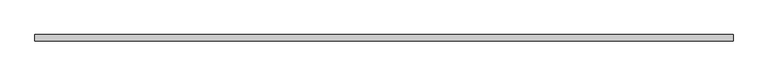
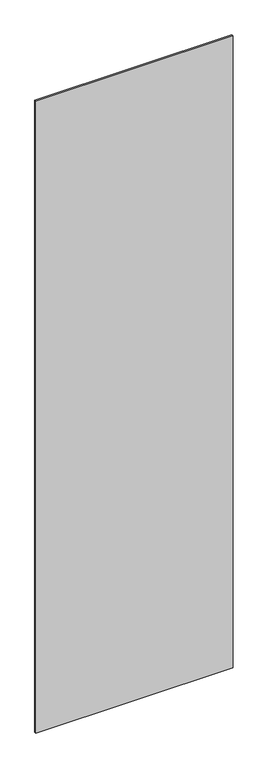
"""IFC4 building model written with IfcOpenShell, lengths in millimetres: plate geometry."""

from ifc_helpers import new_model, si_unit, origin, origin_with_axes, place, context, project, spatial, polyline, outline, extrude, source, transform, mapped, element, save


def plate_9603d0b4(model_context):
    return source(origin(), model_context, "Body", "SweptSolid", [
        extrude(outline(polyline([(570.8204416, -5.0), (-570.8204416, -5.0), (-570.8204416, 5.0), (570.8204416, 5.0), (570.8204416, -5.0)])), origin_with_axes(), (0.0, 0.0, 1.0), 3860.0),
    ])


if __name__ == "__main__":
    model = new_model("IFC4")
    model_context = context("Model", 3, world=origin())
    ifc_project = project(units=[si_unit("LENGTHUNIT", "METRE", prefix="MILLI")], contexts=[model_context])
    site = spatial("IfcSite", under=ifc_project)
    building = spatial("IfcBuilding", under=site)
    placement = place(None, origin())
    plate_shape = plate_9603d0b4(model_context)
    element("IfcPlate", 1, at=placement, inside=building, context=model_context, shape_type="MappedRepresentation", body=[
        mapped(plate_shape, transform((0.0, 0.0, 0.0), x_axis=(1.0, 0.0, 0.0), y_axis=(0.0, 1.0, 0.0), z_axis=(0.0, 0.0, 1.0))),
    ])
    save(model, "model.ifc")
